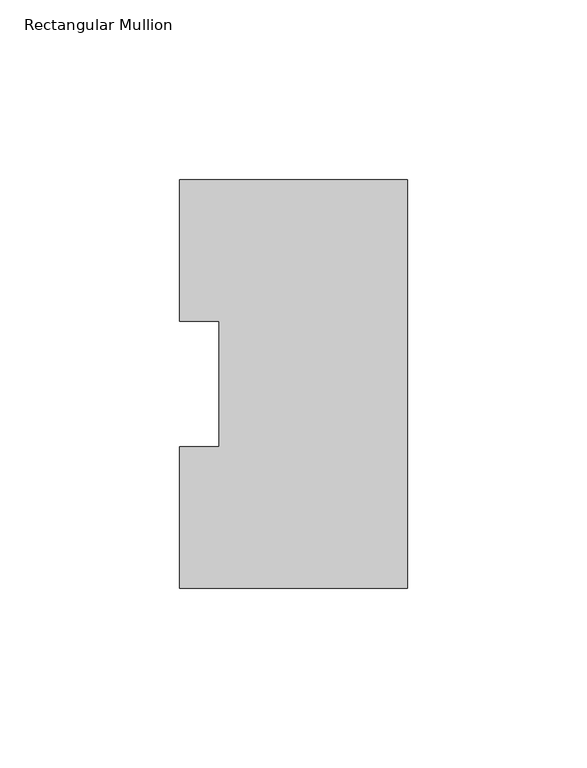
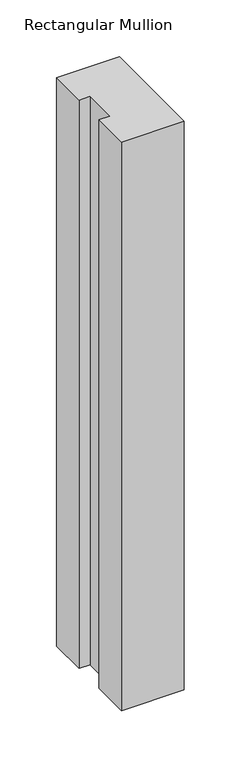
"""IFC4 building model written with IfcOpenShell, lengths in millimetres: member geometry, Rectangular Mullion."""

from ifc_helpers import new_model, si_unit, frame, origin, place, context, project, spatial, polyline, outline, extrude, source, transform, mapped, element, save


def rectangular_mullion_a516c2f4(model_context):
    return source(origin(), model_context, "Body", "SweptSolid", [
        extrude(outline(polyline([(0.0, 114.017425), (0.0, 0.225425), (-63.5, 0.225425), (-63.5, 39.646225), (-52.3875, 39.646225), (-52.3875, 74.596625), (-63.5, 74.596625), (-63.5, 114.017425), (0.0, 114.017425)])), frame((0.0, 0.0, -609.6), z_axis=(0.0, 0.0, 1.0), x_axis=(1.0, 0.0, 0.0)), (0.0, 0.0, 1.0), 609.6),
    ])


if __name__ == "__main__":
    model = new_model("IFC4")
    model_context = context("Model", 3, world=origin())
    ifc_project = project(units=[si_unit("LENGTHUNIT", "METRE", prefix="MILLI")], contexts=[model_context])
    site = spatial("IfcSite", under=ifc_project)
    building = spatial("IfcBuilding", under=site)
    placement = place(None, origin())
    rectangular_mullion_shape = rectangular_mullion_a516c2f4(model_context)
    element("IfcMember", 1, ObjectType="Rectangular Mullion", at=placement, inside=building, context=model_context, shape_type="MappedRepresentation", body=[
        mapped(rectangular_mullion_shape, transform((0.0, 0.0, 0.0), x_axis=(1.0, 0.0, 0.0), y_axis=(0.0, 1.0, 0.0), z_axis=(0.0, 0.0, 1.0))),
    ])
    save(model, "model.ifc")
